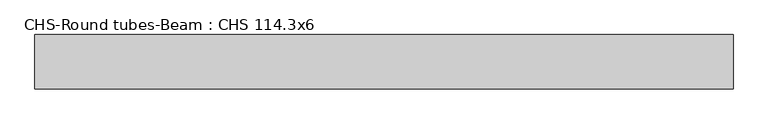
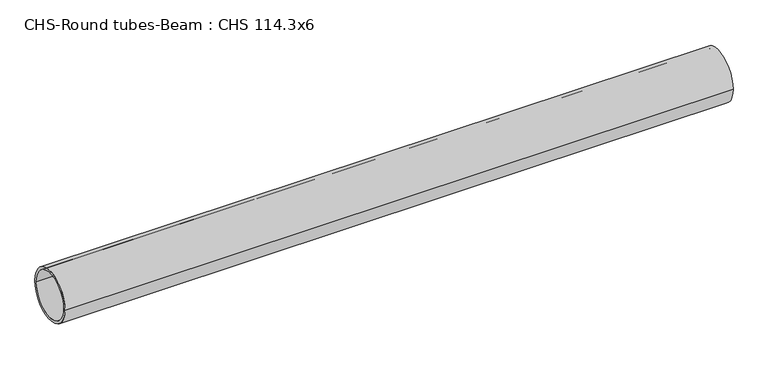
"""IFC4 building model written with IfcOpenShell, lengths in millimetres: beam geometry, CHS-Round tubes-Beam : CHS 114.3x6."""

import ifcopenshell
import ifcopenshell.guid

model = None  # the IFC model being written
_history = None  # IfcOwnerHistory: only IFC2X3 demands one
_inside = {}  # id of a spatial element -> (the spatial element, [elements in it])
_under = {}  # id of a project, library or spatial element -> (it, [spatial elements below it])
_declared = {}  # id of a project -> (the project, [libraries it declares])
_typed = {}  # id of a type object -> (the type object, [elements of that type])
_made_of = {}  # id of a material, layer set ... -> (it, [elements and type objects made of it])


def new_model(schema):
    """Start an empty IFC model of exactly this schema.

    Asked for "IFC4X3", IfcOpenShell would pick the latest addendum, in which some entities
    have other attributes; the version numbers below select the first issue.
    IFC2X3 requires an IfcOwnerHistory on every rooted entity: one is made here for all.
    """
    global model, _history
    if schema == "IFC4X3":
        model = ifcopenshell.file(schema_version=(4, 3, 0, 0))
    else:
        model = ifcopenshell.file(schema=schema)
    _inside.clear()
    _under.clear()
    _declared.clear()
    _typed.clear()
    _made_of.clear()
    _history = None
    if model.schema == "IFC2X3":
        org = make("IfcOrganization", Name="unknown")
        user = make(
            "IfcPersonAndOrganization",
            ThePerson=make("IfcPerson", FamilyName="unknown"),
            TheOrganization=org,
        )
        app = make(
            "IfcApplication",
            ApplicationDeveloper=org,
            Version="unknown",
            ApplicationFullName="unknown",
            ApplicationIdentifier="unknown",
        )
        _history = make(
            "IfcOwnerHistory",
            OwningUser=user,
            OwningApplication=app,
            ChangeAction="ADDED",
            CreationDate=0,
        )
    return model


def make(cls, **values):
    """One entity of the class cls with the attributes given. An attribute that is None is left unset."""
    return model.create_entity(
        cls, **{name: value for name, value in values.items() if value is not None}
    )


def rooted(cls, **values):
    """An entity with a GlobalId (a new one), such as an element, a storey or a relation."""
    return make(cls, GlobalId=ifcopenshell.guid.new(), OwnerHistory=_history, **values)


def si_unit(unit_type, name, prefix=None):
    """IfcSIUnit, for example si_unit("LENGTHUNIT", "METRE", prefix="MILLI")."""
    return make("IfcSIUnit", UnitType=unit_type, Prefix=prefix, Name=name)


def assignment(units):
    """IfcUnitAssignment: the units of a project."""
    return None if units is None else make("IfcUnitAssignment", Units=units)


def point(xyz):
    """IfcCartesianPoint."""
    return None if xyz is None else make("IfcCartesianPoint", Coordinates=xyz)


def direction(xyz):
    """IfcDirection."""
    return None if xyz is None else make("IfcDirection", DirectionRatios=xyz)


def frame(location, z_axis=None, x_axis=None):
    """IfcAxis2Placement3D, a coordinate frame: its origin and axes. An axis left out is left unset."""
    return make(
        "IfcAxis2Placement3D",
        Location=point(location),
        Axis=direction(z_axis),
        RefDirection=direction(x_axis),
    )


def frame_2d(location, x_axis=None):
    """IfcAxis2Placement2D, a coordinate frame in the plane: its origin and x axis."""
    return make(
        "IfcAxis2Placement2D", Location=point(location), RefDirection=direction(x_axis)
    )


def origin():
    """The frame at (0, 0, 0) with its axes left unset."""
    return frame((0.0, 0.0, 0.0))


def origin_2d():
    """The frame at (0, 0) in the plane with its x axis left unset."""
    return frame_2d((0.0, 0.0))


def place(relative_to, where):
    """IfcLocalPlacement: puts the frame where relative to a parent placement (None: the world)."""
    return make(
        "IfcLocalPlacement", PlacementRelTo=relative_to, RelativePlacement=where
    )


def context(
    kind, dimensions, precision=None, world=None, true_north=None, identifier=None
):
    """IfcGeometricRepresentationContext, for example the 3D "Model" context."""
    return make(
        "IfcGeometricRepresentationContext",
        ContextIdentifier=identifier,
        ContextType=kind,
        CoordinateSpaceDimension=dimensions,
        Precision=precision,
        WorldCoordinateSystem=world,
        TrueNorth=true_north,
    )


def project(units=None, contexts=None):
    """IfcProject with its units and contexts."""
    return rooted(
        "IfcProject",
        Name="project",
        RepresentationContexts=contexts,
        UnitsInContext=assignment(units),
    )


def spatial(cls, under=None, at=None, **own):
    """A site, building, storey or space (cls), placed at a placement, below another one or the project."""
    s = rooted(cls, ObjectPlacement=at, **own)
    if under is not None:
        _under.setdefault(under.id(), (under, []))[1].append(s)
    return s


def circle_curve(where, radius):
    """IfcCircle in the frame where."""
    return make("IfcCircle", Position=where, Radius=radius)


def trimmed(basis, trim1, trim2, sense, master):
    """IfcTrimmedCurve: the piece of a basis curve between two trims."""
    return make(
        "IfcTrimmedCurve",
        BasisCurve=basis,
        Trim1=trim1,
        Trim2=trim2,
        SenseAgreement=sense,
        MasterRepresentation=master,
    )


def segment(curve, same_sense, transition):
    """IfcCompositeCurveSegment."""
    return make(
        "IfcCompositeCurveSegment",
        Transition=transition,
        SameSense=same_sense,
        ParentCurve=curve,
    )


def composite_curve(segments, self_intersect=None):
    """IfcCompositeCurve: segments joined end to end."""
    return make("IfcCompositeCurve", Segments=segments, SelfIntersect=self_intersect)


def outline(outer, holes=None, kind="AREA"):
    """IfcArbitraryClosedProfileDef: a profile drawn as a closed curve; with holes, ...WithVoids."""
    if holes is None:
        return make("IfcArbitraryClosedProfileDef", ProfileType=kind, OuterCurve=outer)
    return make(
        "IfcArbitraryProfileDefWithVoids",
        ProfileType=kind,
        OuterCurve=outer,
        InnerCurves=holes,
    )


def extrude(swept, where, along, depth):
    """IfcExtrudedAreaSolid: the profile swept, set in the frame where, extruded along a direction by depth."""
    return make(
        "IfcExtrudedAreaSolid",
        SweptArea=swept,
        Position=where,
        ExtrudedDirection=direction(along),
        Depth=depth,
    )


def shape(context_of_items, identifier, shape_type, items):
    """IfcShapeRepresentation: the items that make up one representation, for example the "Body"."""
    return make(
        "IfcShapeRepresentation",
        ContextOfItems=context_of_items,
        RepresentationIdentifier=identifier,
        RepresentationType=shape_type,
        Items=items,
    )


def source(mapping_origin, context_of_items, identifier, shape_type, items):
    """IfcRepresentationMap: a shape defined once, which mapped items show again and again."""
    return make(
        "IfcRepresentationMap",
        MappingOrigin=mapping_origin,
        MappedRepresentation=shape(context_of_items, identifier, shape_type, items),
    )


def transform(
    local_origin,
    x_axis=None,
    y_axis=None,
    z_axis=None,
    scale=None,
    scale2=None,
    scale3=None,
    uniform=True,
):
    """IfcCartesianTransformationOperator3D, or its non-uniform kind. x_axis, y_axis, z_axis: its Axis1, 2, 3."""
    if uniform:
        return make(
            "IfcCartesianTransformationOperator3D",
            Axis1=direction(x_axis),
            Axis2=direction(y_axis),
            LocalOrigin=point(local_origin),
            Scale=scale,
            Axis3=direction(z_axis),
        )
    return make(
        "IfcCartesianTransformationOperator3DnonUniform",
        Axis1=direction(x_axis),
        Axis2=direction(y_axis),
        LocalOrigin=point(local_origin),
        Scale=scale,
        Axis3=direction(z_axis),
        Scale2=scale2,
        Scale3=scale3,
    )


def mapped(mapping_source, mapping_target):
    """IfcMappedItem: shows the shape of a source again, moved by a transform."""
    return make(
        "IfcMappedItem", MappingSource=mapping_source, MappingTarget=mapping_target
    )


def made_of(thing, what):
    """Note that an element or type object is made of a material, layer set ...; save() writes the relation."""
    if what is not None:
        _made_of.setdefault(what.id(), (what, []))[1].append(thing)
    return thing


def element(
    cls,
    number,
    at=None,
    inside=None,
    cuts=None,
    type_object=None,
    material=None,
    context=None,
    identifier="Body",
    shape_type=None,
    held_by="IfcProductDefinitionShape",
    body=None,
    shapes=None,
    **own,
):
    """One element of the class cls, such as IfcWall. Its Tag is "e" and its number.

    at: its placement. inside: the storey or other place that contains it. cuts: it is an
    opening in that element (IfcRelVoidsElement). A single representation is given by context,
    identifier, shape_type and body (its items); several are given by shapes. held_by: the class
    of the entity that holds the representations. save() writes the other relations.
    """
    e = rooted(cls, Tag="e%d" % number, ObjectPlacement=at, **own)
    if body is not None:
        shapes = [shape(context, identifier, shape_type, body)]
    if shapes is not None:
        e.Representation = make(held_by, Representations=shapes)
    if inside is not None:
        _inside.setdefault(inside.id(), (inside, []))[1].append(e)
    if cuts is not None:
        rooted(
            "IfcRelVoidsElement", RelatingBuildingElement=cuts, RelatedOpeningElement=e
        )
    if type_object is not None:
        _typed.setdefault(type_object.id(), (type_object, []))[1].append(e)
    return made_of(e, material)


def aggregate(whole, parts):
    """IfcRelAggregates: a whole, such as a stair, and the parts it consists of."""
    return rooted("IfcRelAggregates", RelatingObject=whole, RelatedObjects=parts)


def save(model, path):
    """Write the relations noted so far, then the file.

    IfcRelAggregates (storeys below a building ...), IfcRelContainedInSpatialStructure (elements
    in a storey), IfcRelDefinesByType, IfcRelAssociatesMaterial and IfcRelDeclares: one each for
    every whole, place, type object, material and project.
    """
    for whole, parts in _under.values():
        aggregate(whole, parts)
    for where, things in _inside.values():
        rooted(
            "IfcRelContainedInSpatialStructure",
            RelatedElements=things,
            RelatingStructure=where,
        )
    for kind, things in _typed.values():
        rooted("IfcRelDefinesByType", RelatedObjects=things, RelatingType=kind)
    for what, things in _made_of.values():
        rooted("IfcRelAssociatesMaterial", RelatedObjects=things, RelatingMaterial=what)
    for by, libraries in _declared.values():
        rooted("IfcRelDeclares", RelatingContext=by, RelatedDefinitions=libraries)
    model.write(path)


def chs_round_tubes_beam_chs_114_3x6_509fe63c(model_context):
    return source(origin(), model_context, "Body", "SweptSolid", [
        extrude(outline(composite_curve([segment(trimmed(circle_curve(origin_2d(), 57.15), [point((57.15, 0.0))], [point((-57.15, 0.0))], False, "CARTESIAN"), True, "CONTINUOUS"), segment(trimmed(circle_curve(origin_2d(), 57.15), [point((-57.15, 0.0))], [point((57.15, 0.0))], False, "CARTESIAN"), True, "CONTINUOUS")], self_intersect=False), holes=[composite_curve([segment(trimmed(circle_curve(origin_2d(), 51.15), [point((51.15, 0.0))], [point((-51.15, 0.0))], True, "CARTESIAN"), True, "CONTINUOUS"), segment(trimmed(circle_curve(origin_2d(), 51.15), [point((-51.15, 0.0))], [point((51.15, 0.0))], True, "CARTESIAN"), True, "CONTINUOUS")], self_intersect=False)]), frame((-774.0314468, 0.0, 0.0), z_axis=(1.0, 0.0, 0.0), x_axis=(0.0, 1.0, 0.0)), (0.0, 0.0, 1.0), 1467.2396856),
    ])


if __name__ == "__main__":
    model = new_model("IFC4")
    model_context = context("Model", 3, world=origin())
    ifc_project = project(units=[si_unit("LENGTHUNIT", "METRE", prefix="MILLI")], contexts=[model_context])
    site = spatial("IfcSite", under=ifc_project)
    building = spatial("IfcBuilding", under=site)
    placement = place(None, origin())
    chs_round_tubes_beam_chs_114_3x6_shape = chs_round_tubes_beam_chs_114_3x6_509fe63c(model_context)
    element("IfcBeam", 1, ObjectType="CHS-Round tubes-Beam : CHS 114.3x6", at=placement, inside=building, context=model_context, shape_type="MappedRepresentation", body=[
        mapped(chs_round_tubes_beam_chs_114_3x6_shape, transform((0.0, 0.0, 0.0), x_axis=(1.0, 0.0, 0.0), y_axis=(0.0, 1.0, 0.0), z_axis=(0.0, 0.0, 1.0))),
    ])
    save(model, "model.ifc")
